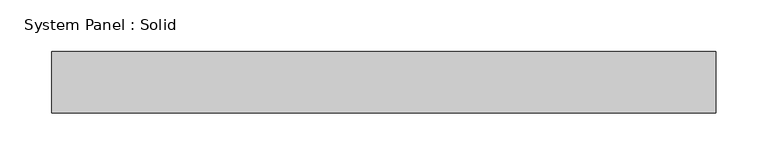
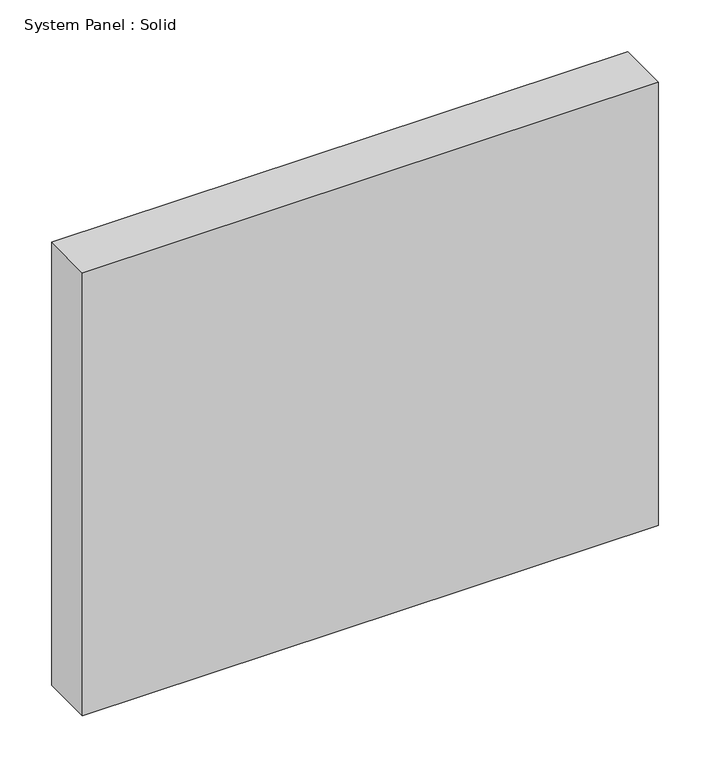
"""IFC4 building model written with IfcOpenShell, lengths in millimetres: plate geometry, System Panel : Solid."""

from ifc_helpers import new_model, si_unit, origin, origin_with_axes, place, context, project, spatial, polyline, outline, extrude, source, transform, mapped, element, save


def system_panel_solid_c6bc3822(model_context):
    return source(origin(), model_context, "Body", "SweptSolid", [
        extrude(outline(polyline([(322.5, -49.5), (-322.5, -49.5), (-322.5, 10.5), (322.5, 10.5), (322.5, -49.5)])), origin_with_axes(), (0.0, 0.0, 1.0), 525.0),
    ])


if __name__ == "__main__":
    model = new_model("IFC4")
    model_context = context("Model", 3, world=origin())
    ifc_project = project(units=[si_unit("LENGTHUNIT", "METRE", prefix="MILLI")], contexts=[model_context])
    site = spatial("IfcSite", under=ifc_project)
    building = spatial("IfcBuilding", under=site)
    placement = place(None, origin())
    system_panel_solid_shape = system_panel_solid_c6bc3822(model_context)
    element("IfcPlate", 1, ObjectType="System Panel : Solid", at=placement, inside=building, context=model_context, shape_type="MappedRepresentation", body=[
        mapped(system_panel_solid_shape, transform((0.0, 0.0, 0.0), x_axis=(1.0, 0.0, 0.0), y_axis=(0.0, 1.0, 0.0), z_axis=(0.0, 0.0, 1.0))),
    ])
    save(model, "model.ifc")
